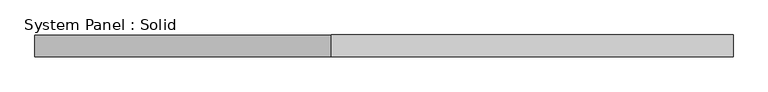
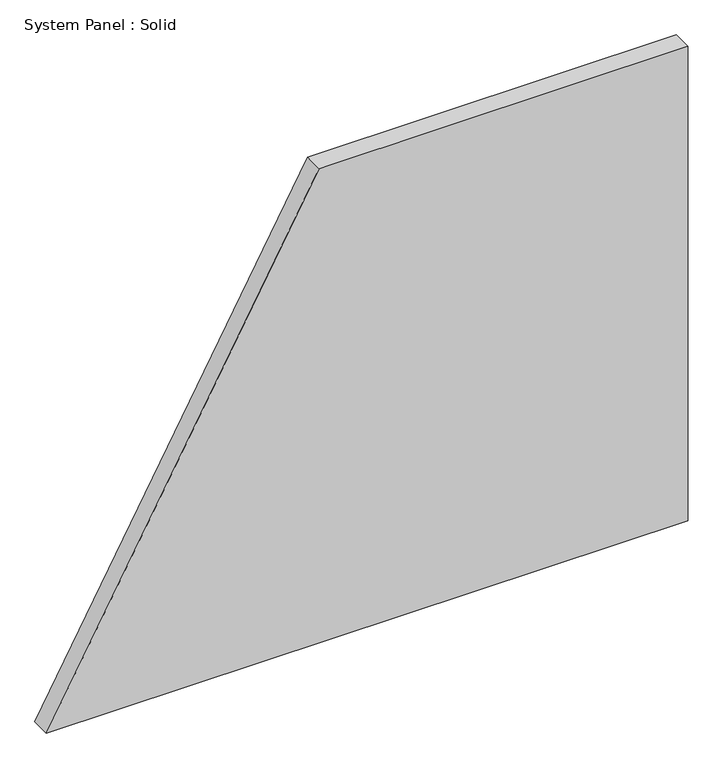
"""IFC4 building model written with IfcOpenShell, lengths in millimetres: plate geometry, System Panel : Solid."""

from ifc_helpers import new_model, si_unit, frame, origin, place, context, project, spatial, polyline, outline, extrude, source, transform, mapped, element, save


def system_panel_solid_93f6711f(model_context):
    return source(origin(), model_context, "Body", "SweptSolid", [
        extrude(outline(polyline([(0.0, -960.453235), (0.0, 960.453235), (1500.0, 960.453235), (1500.0, -144.634529), (0.0, -960.453235)])), frame((0.0, -10.5, 0.0), z_axis=(0.0, 1.0, 0.0), x_axis=(0.0, 0.0, 1.0)), (0.0, 0.0, 1.0), 60.0),
    ])


if __name__ == "__main__":
    model = new_model("IFC4")
    model_context = context("Model", 3, world=origin())
    ifc_project = project(units=[si_unit("LENGTHUNIT", "METRE", prefix="MILLI")], contexts=[model_context])
    site = spatial("IfcSite", under=ifc_project)
    building = spatial("IfcBuilding", under=site)
    placement = place(None, origin())
    system_panel_solid_shape = system_panel_solid_93f6711f(model_context)
    element("IfcPlate", 1, ObjectType="System Panel : Solid", at=placement, inside=building, context=model_context, shape_type="MappedRepresentation", body=[
        mapped(system_panel_solid_shape, transform((0.0, 0.0, 0.0), x_axis=(1.0, 0.0, 0.0), y_axis=(0.0, 1.0, 0.0), z_axis=(0.0, 0.0, 1.0))),
    ])
    save(model, "model.ifc")
